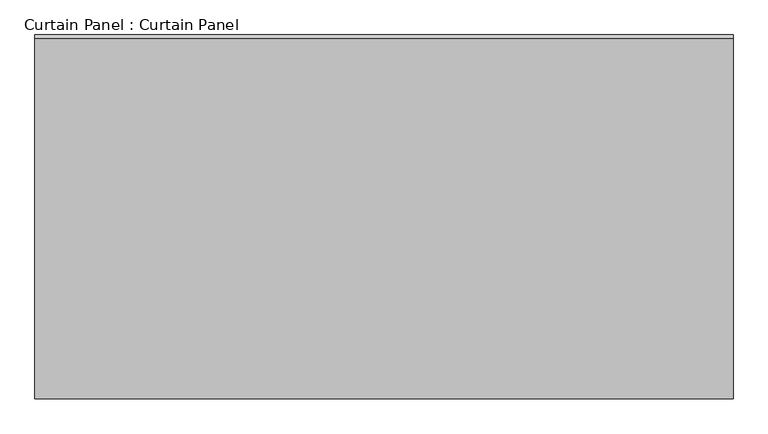
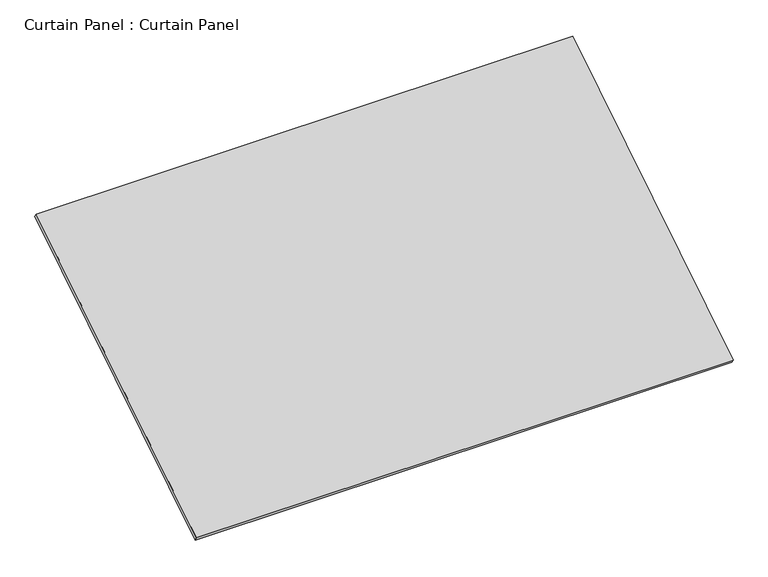
"""IFC4 building model written with IfcOpenShell, lengths in millimetres: plate geometry, Curtain Panel : Curtain Panel."""

from ifc_helpers import new_model, si_unit, frame, origin, place, context, project, spatial, polyline, outline, extrude, source, transform, mapped, element, save


def curtain_panel_curtain_panel_ed75be5f(model_context):
    return source(origin(), model_context, "Body", "SweptSolid", [
        extrude(outline(polyline([(-63.5, 0.0), (-63.5, -1782.5608335), (-2984.6077868, -1782.5608335), (-2984.6077868, 0.0), (-63.5, 0.0)])), frame((-114622.6430895, 3817.3064526, 12045.5767987), z_axis=(0.0, -0.5318918435658209, 0.8468122972348432), x_axis=(-1.0, 0.0, 0.0)), (0.0, 0.0, 1.0), 25.4),
    ])


if __name__ == "__main__":
    model = new_model("IFC4")
    model_context = context("Model", 3, world=origin())
    ifc_project = project(units=[si_unit("LENGTHUNIT", "METRE", prefix="MILLI")], contexts=[model_context])
    site = spatial("IfcSite", under=ifc_project)
    building = spatial("IfcBuilding", under=site)
    placement = place(None, origin())
    curtain_panel_curtain_panel_shape = curtain_panel_curtain_panel_ed75be5f(model_context)
    element("IfcPlate", 1, ObjectType="Curtain Panel : Curtain Panel", at=placement, inside=building, context=model_context, shape_type="MappedRepresentation", body=[
        mapped(curtain_panel_curtain_panel_shape, transform((0.0, 0.0, 0.0), x_axis=(1.0, 0.0, 0.0), y_axis=(0.0, 1.0, 0.0), z_axis=(0.0, 0.0, 1.0))),
    ])
    save(model, "model.ifc")
